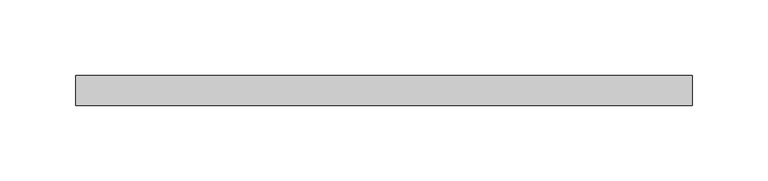
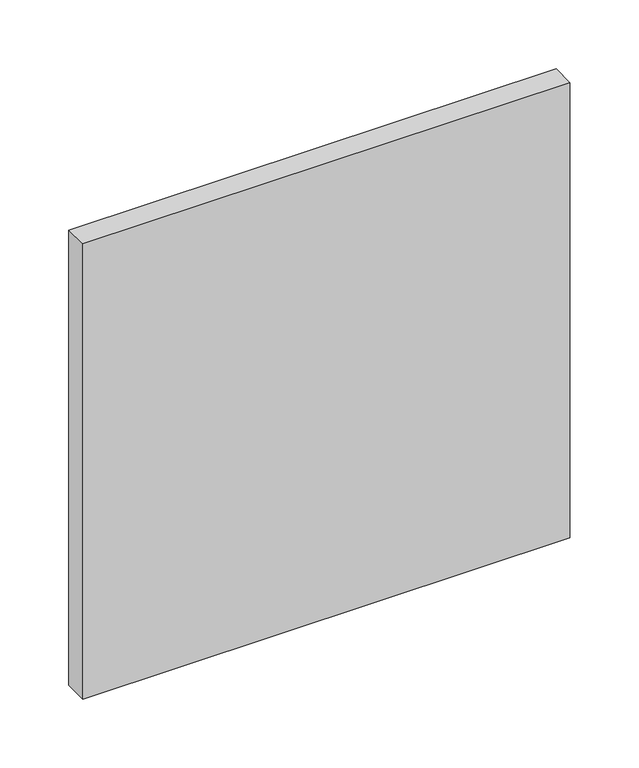
"""IFC4 building model written with IfcOpenShell, lengths in millimetres: plate geometry."""

from ifc_helpers import new_model, si_unit, origin, origin_with_axes, place, context, project, spatial, polyline, outline, extrude, source, transform, mapped, element, save


def plate_9a12e21d(model_context):
    return source(origin(), model_context, "Body", "SweptSolid", [
        extrude(outline(polyline([(204.1666667, -90.0), (-204.1666667, -90.0), (-204.1666667, -70.0), (204.1666667, -70.0), (204.1666667, -90.0)])), origin_with_axes(), (0.0, 0.0, 1.0), 403.3552083),
    ])


if __name__ == "__main__":
    model = new_model("IFC4")
    model_context = context("Model", 3, world=origin())
    ifc_project = project(units=[si_unit("LENGTHUNIT", "METRE", prefix="MILLI")], contexts=[model_context])
    site = spatial("IfcSite", under=ifc_project)
    building = spatial("IfcBuilding", under=site)
    placement = place(None, origin())
    plate_shape = plate_9a12e21d(model_context)
    element("IfcPlate", 1, at=placement, inside=building, context=model_context, shape_type="MappedRepresentation", body=[
        mapped(plate_shape, transform((0.0, 0.0, 0.0), x_axis=(1.0, 0.0, 0.0), y_axis=(0.0, 1.0, 0.0), z_axis=(0.0, 0.0, 1.0))),
    ])
    save(model, "model.ifc")
